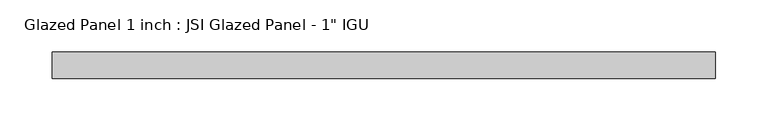
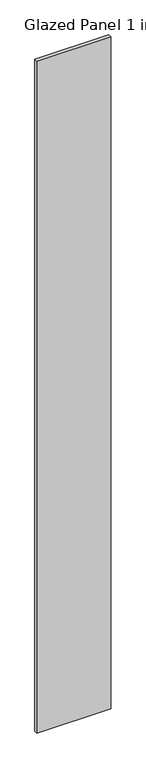
"""IFC4 building model written with IfcOpenShell, lengths in millimetres: plate geometry."""

from ifc_helpers import new_model, si_unit, origin, origin_with_axes, place, context, project, spatial, polyline, outline, extrude, source, transform, mapped, element, save


def plate_c4698717(model_context):
    return source(origin(), model_context, "Body", "SweptSolid", [
        extrude(outline(polyline([(317.5, -12.7), (-317.5, -12.7), (-317.5, 12.7), (317.5, 12.7), (317.5, -12.7)])), origin_with_axes(), (0.0, 0.0, 1.0), 6096.0),
    ])


if __name__ == "__main__":
    model = new_model("IFC4")
    model_context = context("Model", 3, world=origin())
    ifc_project = project(units=[si_unit("LENGTHUNIT", "METRE", prefix="MILLI")], contexts=[model_context])
    site = spatial("IfcSite", under=ifc_project)
    building = spatial("IfcBuilding", under=site)
    placement = place(None, origin())
    plate_shape = plate_c4698717(model_context)
    element("IfcPlate", 1, ObjectType="Glazed Panel 1 inch : JSI Glazed Panel - 1\" IGU", at=placement, inside=building, context=model_context, shape_type="MappedRepresentation", body=[
        mapped(plate_shape, transform((0.0, 0.0, 0.0), x_axis=(1.0, 0.0, 0.0), y_axis=(0.0, 1.0, 0.0), z_axis=(0.0, 0.0, 1.0))),
    ])
    save(model, "model.ifc")
